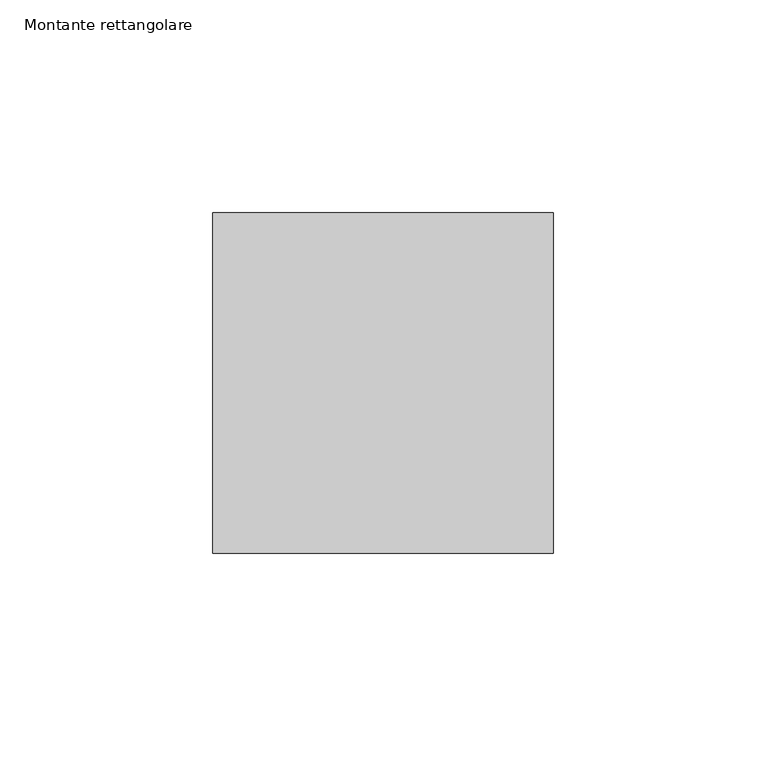
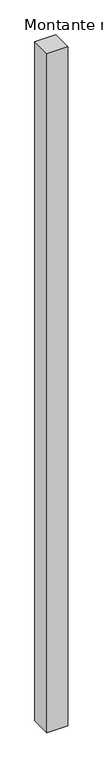
"""IFC4 building model written with IfcOpenShell, lengths in millimetres: member geometry, Montante rettangolare."""

from ifc_helpers import new_model, si_unit, frame, origin, place, context, project, spatial, polyline, outline, extrude, source, transform, mapped, element, save


def montante_rettangolare_c30ac9b1(model_context):
    return source(origin(), model_context, "Body", "SweptSolid", [
        extrude(outline(polyline([(0.0, 40.0), (0.0, -40.0), (-80.0, -40.0), (-80.0, 40.0), (0.0, 40.0)])), frame((0.0, 0.0, -2750.0), z_axis=(0.0, 0.0, 1.0), x_axis=(1.0, 0.0, 0.0)), (0.0, 0.0, 1.0), 2750.0),
    ])


if __name__ == "__main__":
    model = new_model("IFC4")
    model_context = context("Model", 3, world=origin())
    ifc_project = project(units=[si_unit("LENGTHUNIT", "METRE", prefix="MILLI")], contexts=[model_context])
    site = spatial("IfcSite", under=ifc_project)
    building = spatial("IfcBuilding", under=site)
    placement = place(None, origin())
    montante_rettangolare_shape = montante_rettangolare_c30ac9b1(model_context)
    element("IfcMember", 1, ObjectType="Montante rettangolare", at=placement, inside=building, context=model_context, shape_type="MappedRepresentation", body=[
        mapped(montante_rettangolare_shape, transform((0.0, 0.0, 0.0), x_axis=(1.0, 0.0, 0.0), y_axis=(0.0, 1.0, 0.0), z_axis=(0.0, 0.0, 1.0))),
    ])
    save(model, "model.ifc")
